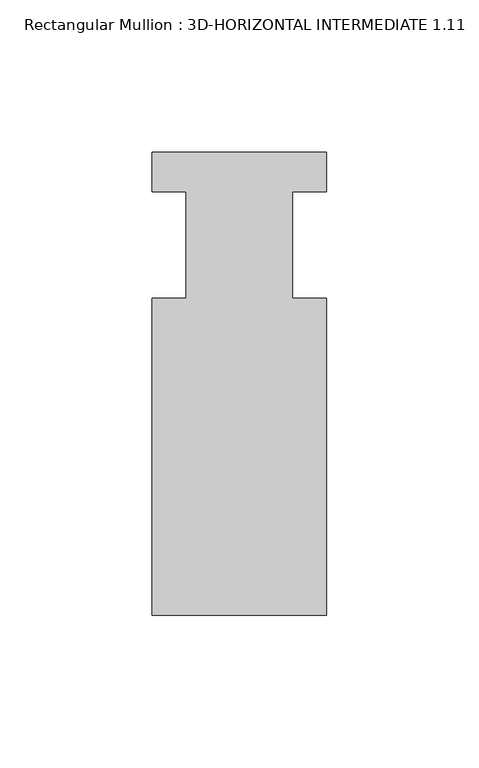
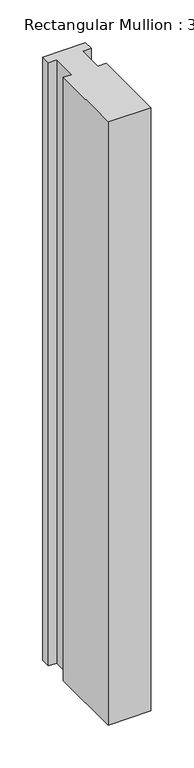
"""IFC4 building model written with IfcOpenShell, lengths in millimetres: member geometry, Rectangular Mullion : 3D-HORIZONTAL INTERMEDIATE 1.11."""

from ifc_helpers import new_model, si_unit, frame, origin, place, context, project, spatial, polyline, outline, extrude, source, transform, mapped, element, save


def rectangular_mullion_3d_horizontal_intermediate_1_11_abc485d2(model_context):
    return source(origin(), model_context, "Body", "SweptSolid", [
        extrude(outline(polyline([(28.575, 75.8444), (28.575, 62.9771117), (17.4625, 62.9771117), (17.4625, 28.0162), (28.575, 28.0162), (28.575, -75.8444), (-28.575, -75.8444), (-28.575, 28.0162), (-17.4625, 28.0162), (-17.4625, 62.9771117), (-28.575, 62.9771117), (-28.575, 75.8444), (28.575, 75.8444)])), frame((0.0, 0.0, -857.25), z_axis=(0.0, 0.0, 1.0), x_axis=(1.0, 0.0, 0.0)), (0.0, 0.0, 1.0), 857.25),
    ])


if __name__ == "__main__":
    model = new_model("IFC4")
    model_context = context("Model", 3, world=origin())
    ifc_project = project(units=[si_unit("LENGTHUNIT", "METRE", prefix="MILLI")], contexts=[model_context])
    site = spatial("IfcSite", under=ifc_project)
    building = spatial("IfcBuilding", under=site)
    placement = place(None, origin())
    rectangular_mullion_3d_horizontal_intermediate_1_11_shape = rectangular_mullion_3d_horizontal_intermediate_1_11_abc485d2(model_context)
    element("IfcMember", 1, ObjectType="Rectangular Mullion : 3D-HORIZONTAL INTERMEDIATE 1.11", at=placement, inside=building, context=model_context, shape_type="MappedRepresentation", body=[
        mapped(rectangular_mullion_3d_horizontal_intermediate_1_11_shape, transform((0.0, 0.0, 0.0), x_axis=(1.0, 0.0, 0.0), y_axis=(0.0, 1.0, 0.0), z_axis=(0.0, 0.0, 1.0))),
    ])
    save(model, "model.ifc")
